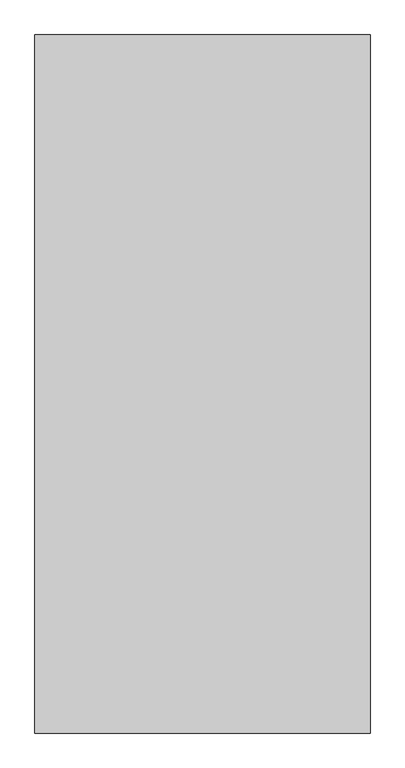
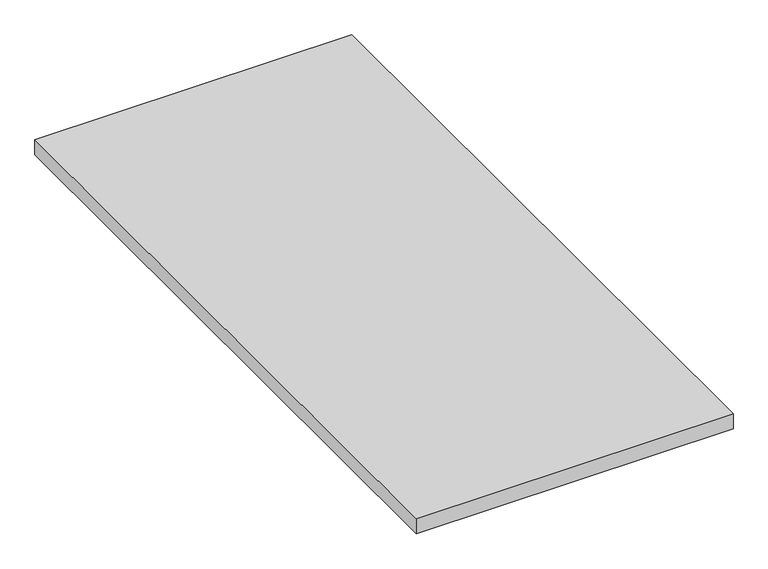
"""IFC4 building model written with IfcOpenShell, lengths in millimetres: proxy geometry."""

import ifcopenshell
import ifcopenshell.guid

model = None  # the IFC model being written
_history = None  # IfcOwnerHistory: only IFC2X3 demands one
_inside = {}  # id of a spatial element -> (the spatial element, [elements in it])
_under = {}  # id of a project, library or spatial element -> (it, [spatial elements below it])
_declared = {}  # id of a project -> (the project, [libraries it declares])
_typed = {}  # id of a type object -> (the type object, [elements of that type])
_made_of = {}  # id of a material, layer set ... -> (it, [elements and type objects made of it])


def new_model(schema):
    """Start an empty IFC model of exactly this schema.

    Asked for "IFC4X3", IfcOpenShell would pick the latest addendum, in which some entities
    have other attributes; the version numbers below select the first issue.
    IFC2X3 requires an IfcOwnerHistory on every rooted entity: one is made here for all.
    """
    global model, _history
    if schema == "IFC4X3":
        model = ifcopenshell.file(schema_version=(4, 3, 0, 0))
    else:
        model = ifcopenshell.file(schema=schema)
    _inside.clear()
    _under.clear()
    _declared.clear()
    _typed.clear()
    _made_of.clear()
    _history = None
    if model.schema == "IFC2X3":
        org = make("IfcOrganization", Name="unknown")
        user = make(
            "IfcPersonAndOrganization",
            ThePerson=make("IfcPerson", FamilyName="unknown"),
            TheOrganization=org,
        )
        app = make(
            "IfcApplication",
            ApplicationDeveloper=org,
            Version="unknown",
            ApplicationFullName="unknown",
            ApplicationIdentifier="unknown",
        )
        _history = make(
            "IfcOwnerHistory",
            OwningUser=user,
            OwningApplication=app,
            ChangeAction="ADDED",
            CreationDate=0,
        )
    return model


def make(cls, **values):
    """One entity of the class cls with the attributes given. An attribute that is None is left unset."""
    return model.create_entity(
        cls, **{name: value for name, value in values.items() if value is not None}
    )


def rooted(cls, **values):
    """An entity with a GlobalId (a new one), such as an element, a storey or a relation."""
    return make(cls, GlobalId=ifcopenshell.guid.new(), OwnerHistory=_history, **values)


def si_unit(unit_type, name, prefix=None):
    """IfcSIUnit, for example si_unit("LENGTHUNIT", "METRE", prefix="MILLI")."""
    return make("IfcSIUnit", UnitType=unit_type, Prefix=prefix, Name=name)


def assignment(units):
    """IfcUnitAssignment: the units of a project."""
    return None if units is None else make("IfcUnitAssignment", Units=units)


def point(xyz):
    """IfcCartesianPoint."""
    return None if xyz is None else make("IfcCartesianPoint", Coordinates=xyz)


def direction(xyz):
    """IfcDirection."""
    return None if xyz is None else make("IfcDirection", DirectionRatios=xyz)


def frame(location, z_axis=None, x_axis=None):
    """IfcAxis2Placement3D, a coordinate frame: its origin and axes. An axis left out is left unset."""
    return make(
        "IfcAxis2Placement3D",
        Location=point(location),
        Axis=direction(z_axis),
        RefDirection=direction(x_axis),
    )


def origin():
    """The frame at (0, 0, 0) with its axes left unset."""
    return frame((0.0, 0.0, 0.0))


def origin_with_axes():
    """The frame at (0, 0, 0) with the z axis (0, 0, 1) and the x axis (1, 0, 0) written out."""
    return frame((0.0, 0.0, 0.0), z_axis=(0.0, 0.0, 1.0), x_axis=(1.0, 0.0, 0.0))


def place(relative_to, where):
    """IfcLocalPlacement: puts the frame where relative to a parent placement (None: the world)."""
    return make(
        "IfcLocalPlacement", PlacementRelTo=relative_to, RelativePlacement=where
    )


def context(
    kind, dimensions, precision=None, world=None, true_north=None, identifier=None
):
    """IfcGeometricRepresentationContext, for example the 3D "Model" context."""
    return make(
        "IfcGeometricRepresentationContext",
        ContextIdentifier=identifier,
        ContextType=kind,
        CoordinateSpaceDimension=dimensions,
        Precision=precision,
        WorldCoordinateSystem=world,
        TrueNorth=true_north,
    )


def project(units=None, contexts=None):
    """IfcProject with its units and contexts."""
    return rooted(
        "IfcProject",
        Name="project",
        RepresentationContexts=contexts,
        UnitsInContext=assignment(units),
    )


def spatial(cls, under=None, at=None, **own):
    """A site, building, storey or space (cls), placed at a placement, below another one or the project."""
    s = rooted(cls, ObjectPlacement=at, **own)
    if under is not None:
        _under.setdefault(under.id(), (under, []))[1].append(s)
    return s


def polyline(points):
    """IfcPolyline through the points."""
    return make("IfcPolyline", Points=[point(p) for p in points])


def outline(outer, holes=None, kind="AREA"):
    """IfcArbitraryClosedProfileDef: a profile drawn as a closed curve; with holes, ...WithVoids."""
    if holes is None:
        return make("IfcArbitraryClosedProfileDef", ProfileType=kind, OuterCurve=outer)
    return make(
        "IfcArbitraryProfileDefWithVoids",
        ProfileType=kind,
        OuterCurve=outer,
        InnerCurves=holes,
    )


def extrude(swept, where, along, depth):
    """IfcExtrudedAreaSolid: the profile swept, set in the frame where, extruded along a direction by depth."""
    return make(
        "IfcExtrudedAreaSolid",
        SweptArea=swept,
        Position=where,
        ExtrudedDirection=direction(along),
        Depth=depth,
    )


def shape(context_of_items, identifier, shape_type, items):
    """IfcShapeRepresentation: the items that make up one representation, for example the "Body"."""
    return make(
        "IfcShapeRepresentation",
        ContextOfItems=context_of_items,
        RepresentationIdentifier=identifier,
        RepresentationType=shape_type,
        Items=items,
    )


def source(mapping_origin, context_of_items, identifier, shape_type, items):
    """IfcRepresentationMap: a shape defined once, which mapped items show again and again."""
    return make(
        "IfcRepresentationMap",
        MappingOrigin=mapping_origin,
        MappedRepresentation=shape(context_of_items, identifier, shape_type, items),
    )


def transform(
    local_origin,
    x_axis=None,
    y_axis=None,
    z_axis=None,
    scale=None,
    scale2=None,
    scale3=None,
    uniform=True,
):
    """IfcCartesianTransformationOperator3D, or its non-uniform kind. x_axis, y_axis, z_axis: its Axis1, 2, 3."""
    if uniform:
        return make(
            "IfcCartesianTransformationOperator3D",
            Axis1=direction(x_axis),
            Axis2=direction(y_axis),
            LocalOrigin=point(local_origin),
            Scale=scale,
            Axis3=direction(z_axis),
        )
    return make(
        "IfcCartesianTransformationOperator3DnonUniform",
        Axis1=direction(x_axis),
        Axis2=direction(y_axis),
        LocalOrigin=point(local_origin),
        Scale=scale,
        Axis3=direction(z_axis),
        Scale2=scale2,
        Scale3=scale3,
    )


def mapped(mapping_source, mapping_target):
    """IfcMappedItem: shows the shape of a source again, moved by a transform."""
    return make(
        "IfcMappedItem", MappingSource=mapping_source, MappingTarget=mapping_target
    )


def made_of(thing, what):
    """Note that an element or type object is made of a material, layer set ...; save() writes the relation."""
    if what is not None:
        _made_of.setdefault(what.id(), (what, []))[1].append(thing)
    return thing


def element(
    cls,
    number,
    at=None,
    inside=None,
    cuts=None,
    type_object=None,
    material=None,
    context=None,
    identifier="Body",
    shape_type=None,
    held_by="IfcProductDefinitionShape",
    body=None,
    shapes=None,
    **own,
):
    """One element of the class cls, such as IfcWall. Its Tag is "e" and its number.

    at: its placement. inside: the storey or other place that contains it. cuts: it is an
    opening in that element (IfcRelVoidsElement). A single representation is given by context,
    identifier, shape_type and body (its items); several are given by shapes. held_by: the class
    of the entity that holds the representations. save() writes the other relations.
    """
    e = rooted(cls, Tag="e%d" % number, ObjectPlacement=at, **own)
    if body is not None:
        shapes = [shape(context, identifier, shape_type, body)]
    if shapes is not None:
        e.Representation = make(held_by, Representations=shapes)
    if inside is not None:
        _inside.setdefault(inside.id(), (inside, []))[1].append(e)
    if cuts is not None:
        rooted(
            "IfcRelVoidsElement", RelatingBuildingElement=cuts, RelatedOpeningElement=e
        )
    if type_object is not None:
        _typed.setdefault(type_object.id(), (type_object, []))[1].append(e)
    return made_of(e, material)


def aggregate(whole, parts):
    """IfcRelAggregates: a whole, such as a stair, and the parts it consists of."""
    return rooted("IfcRelAggregates", RelatingObject=whole, RelatedObjects=parts)


def save(model, path):
    """Write the relations noted so far, then the file.

    IfcRelAggregates (storeys below a building ...), IfcRelContainedInSpatialStructure (elements
    in a storey), IfcRelDefinesByType, IfcRelAssociatesMaterial and IfcRelDeclares: one each for
    every whole, place, type object, material and project.
    """
    for whole, parts in _under.values():
        aggregate(whole, parts)
    for where, things in _inside.values():
        rooted(
            "IfcRelContainedInSpatialStructure",
            RelatedElements=things,
            RelatingStructure=where,
        )
    for kind, things in _typed.values():
        rooted("IfcRelDefinesByType", RelatedObjects=things, RelatingType=kind)
    for what, things in _made_of.values():
        rooted("IfcRelAssociatesMaterial", RelatedObjects=things, RelatingMaterial=what)
    for by, libraries in _declared.values():
        rooted("IfcRelDeclares", RelatingContext=by, RelatedDefinitions=libraries)
    model.write(path)


def generic_models_aed096da(model_context):
    return source(origin(), model_context, "Body", "SweptSolid", [
        extrude(outline(polyline([(-6184.8983566, 6547.1625159), (-6184.8983566, 5297.1625159), (-6784.8983566, 5297.1625159), (-6784.8983566, 6547.1625159), (-6184.8983566, 6547.1625159)])), origin_with_axes(), (0.0, 0.0, 1.0), 30.0),
    ])


if __name__ == "__main__":
    model = new_model("IFC4")
    model_context = context("Model", 3, world=origin())
    ifc_project = project(units=[si_unit("LENGTHUNIT", "METRE", prefix="MILLI")], contexts=[model_context])
    site = spatial("IfcSite", under=ifc_project)
    building = spatial("IfcBuilding", under=site)
    placement = place(None, origin())
    generic_models_shape = generic_models_aed096da(model_context)
    element("IfcBuildingElementProxy", 1, Name="Generic Models", at=placement, inside=building, context=model_context, shape_type="MappedRepresentation", body=[
        mapped(generic_models_shape, transform((0.0, 0.0, 0.0), x_axis=(1.0, 0.0, 0.0), y_axis=(0.0, 1.0, 0.0), z_axis=(0.0, 0.0, 1.0))),
    ])
    save(model, "model.ifc")
